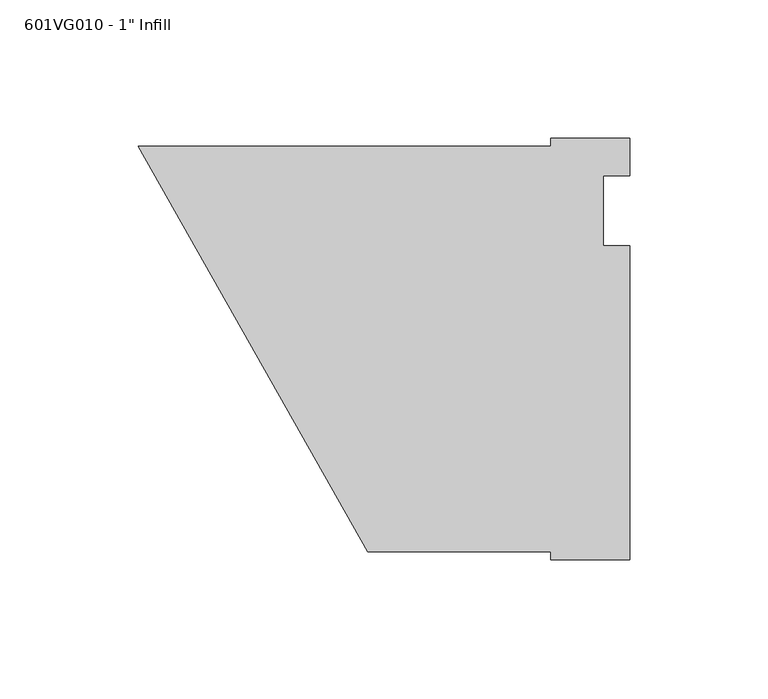
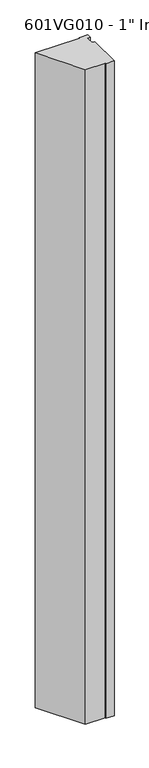
"""IFC4 building model written with IfcOpenShell, lengths in millimetres: proxy geometry."""

from ifc_helpers import new_model, si_unit, frame, origin, place, context, project, spatial, polyline, outline, extrude, source, transform, mapped, element, save


def proxy_3d5c734a(model_context):
    return source(origin(), model_context, "Body", "SweptSolid", [
        extrude(outline(polyline([(177.8, 26.19375), (177.8, 12.7), (168.275, 12.7), (168.275, -12.7), (177.8, -12.7), (177.8, -126.20625), (149.2711005, -126.20625), (149.2711005, -123.34875), (82.99038, -123.34875), (0.0, 23.33625), (149.1581978, 23.33625), (149.1581978, 26.19375), (177.8, 26.19375)])), frame((0.0, 0.0, 50.8), z_axis=(0.0, 0.0, 1.0), x_axis=(1.0, 0.0, 0.0)), (0.0, 0.0, 1.0), 2324.1),
    ])


if __name__ == "__main__":
    model = new_model("IFC4")
    model_context = context("Model", 3, world=origin())
    ifc_project = project(units=[si_unit("LENGTHUNIT", "METRE", prefix="MILLI")], contexts=[model_context])
    site = spatial("IfcSite", under=ifc_project)
    building = spatial("IfcBuilding", under=site)
    placement = place(None, origin())
    proxy_shape = proxy_3d5c734a(model_context)
    element("IfcBuildingElementProxy", 1, Name="601VG010 - 1\" Infill", ObjectType="601VG010 - 1\" Infill", at=placement, inside=building, context=model_context, shape_type="MappedRepresentation", body=[
        mapped(proxy_shape, transform((0.0, 0.0, 0.0), x_axis=(1.0, 0.0, 0.0), y_axis=(0.0, 1.0, 0.0), z_axis=(0.0, 0.0, 1.0))),
    ])
    save(model, "model.ifc")
